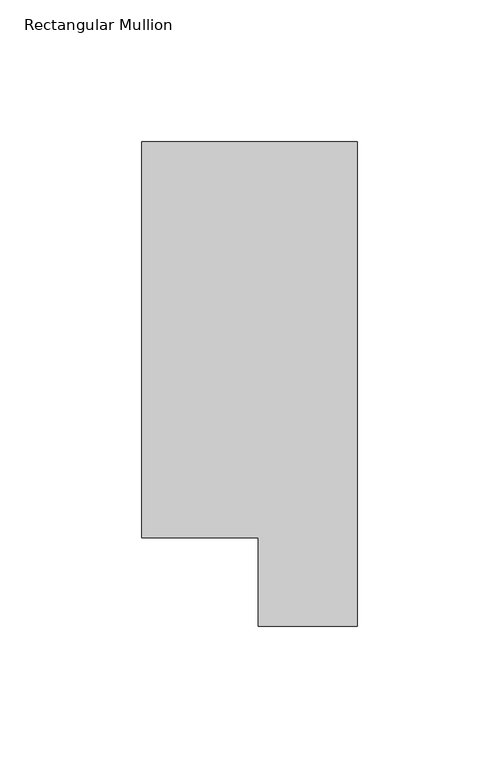
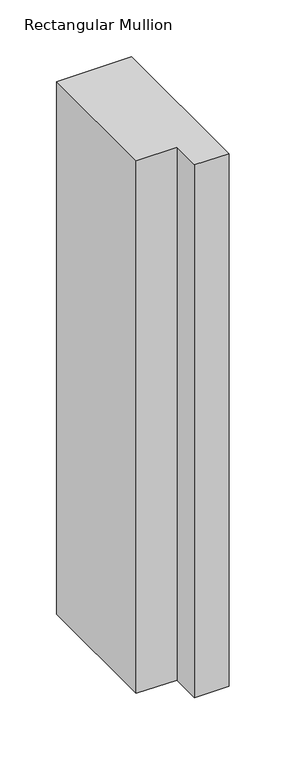
"""IFC4 building model written with IfcOpenShell, lengths in millimetres: member geometry, Rectangular Mullion."""

from ifc_helpers import new_model, si_unit, frame, origin, place, context, project, spatial, polyline, outline, extrude, source, transform, mapped, element, save


def rectangular_mullion_f0993f17(model_context):
    return source(origin(), model_context, "Body", "SweptSolid", [
        extrude(outline(polyline([(-76.2, 190.7881317), (0.0, 190.7881317), (0.0, 19.5667317), (-34.9123, 19.5667317), (-34.9123, 50.8087306), (-76.2, 50.8087306), (-76.2, 190.7881317)])), frame((0.0, 0.0, -571.8218524), z_axis=(0.0, 0.0, 1.0), x_axis=(1.0, 0.0, 0.0)), (0.0, 0.0, 1.0), 571.8218524),
    ])


if __name__ == "__main__":
    model = new_model("IFC4")
    model_context = context("Model", 3, world=origin())
    ifc_project = project(units=[si_unit("LENGTHUNIT", "METRE", prefix="MILLI")], contexts=[model_context])
    site = spatial("IfcSite", under=ifc_project)
    building = spatial("IfcBuilding", under=site)
    placement = place(None, origin())
    rectangular_mullion_shape = rectangular_mullion_f0993f17(model_context)
    element("IfcMember", 1, ObjectType="Rectangular Mullion", at=placement, inside=building, context=model_context, shape_type="MappedRepresentation", body=[
        mapped(rectangular_mullion_shape, transform((0.0, 0.0, 0.0), x_axis=(1.0, 0.0, 0.0), y_axis=(0.0, 1.0, 0.0), z_axis=(0.0, 0.0, 1.0))),
    ])
    save(model, "model.ifc")
